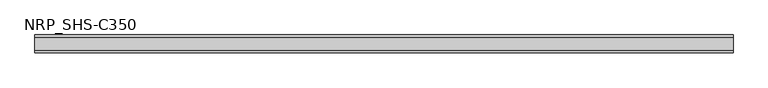
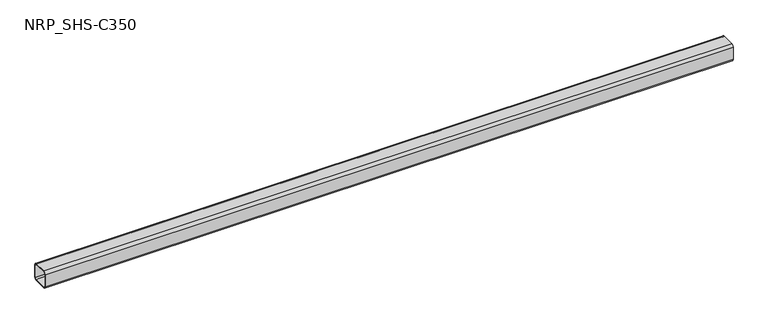
"""IFC4 building model written with IfcOpenShell, lengths in millimetres: member geometry, NRP_SHS-C350."""

import ifcopenshell
import ifcopenshell.guid

model = None  # the IFC model being written
_history = None  # IfcOwnerHistory: only IFC2X3 demands one
_inside = {}  # id of a spatial element -> (the spatial element, [elements in it])
_under = {}  # id of a project, library or spatial element -> (it, [spatial elements below it])
_declared = {}  # id of a project -> (the project, [libraries it declares])
_typed = {}  # id of a type object -> (the type object, [elements of that type])
_made_of = {}  # id of a material, layer set ... -> (it, [elements and type objects made of it])


def new_model(schema):
    """Start an empty IFC model of exactly this schema.

    Asked for "IFC4X3", IfcOpenShell would pick the latest addendum, in which some entities
    have other attributes; the version numbers below select the first issue.
    IFC2X3 requires an IfcOwnerHistory on every rooted entity: one is made here for all.
    """
    global model, _history
    if schema == "IFC4X3":
        model = ifcopenshell.file(schema_version=(4, 3, 0, 0))
    else:
        model = ifcopenshell.file(schema=schema)
    _inside.clear()
    _under.clear()
    _declared.clear()
    _typed.clear()
    _made_of.clear()
    _history = None
    if model.schema == "IFC2X3":
        org = make("IfcOrganization", Name="unknown")
        user = make(
            "IfcPersonAndOrganization",
            ThePerson=make("IfcPerson", FamilyName="unknown"),
            TheOrganization=org,
        )
        app = make(
            "IfcApplication",
            ApplicationDeveloper=org,
            Version="unknown",
            ApplicationFullName="unknown",
            ApplicationIdentifier="unknown",
        )
        _history = make(
            "IfcOwnerHistory",
            OwningUser=user,
            OwningApplication=app,
            ChangeAction="ADDED",
            CreationDate=0,
        )
    return model


def make(cls, **values):
    """One entity of the class cls with the attributes given. An attribute that is None is left unset."""
    return model.create_entity(
        cls, **{name: value for name, value in values.items() if value is not None}
    )


def rooted(cls, **values):
    """An entity with a GlobalId (a new one), such as an element, a storey or a relation."""
    return make(cls, GlobalId=ifcopenshell.guid.new(), OwnerHistory=_history, **values)


def si_unit(unit_type, name, prefix=None):
    """IfcSIUnit, for example si_unit("LENGTHUNIT", "METRE", prefix="MILLI")."""
    return make("IfcSIUnit", UnitType=unit_type, Prefix=prefix, Name=name)


def assignment(units):
    """IfcUnitAssignment: the units of a project."""
    return None if units is None else make("IfcUnitAssignment", Units=units)


def point(xyz):
    """IfcCartesianPoint."""
    return None if xyz is None else make("IfcCartesianPoint", Coordinates=xyz)


def direction(xyz):
    """IfcDirection."""
    return None if xyz is None else make("IfcDirection", DirectionRatios=xyz)


def frame(location, z_axis=None, x_axis=None):
    """IfcAxis2Placement3D, a coordinate frame: its origin and axes. An axis left out is left unset."""
    return make(
        "IfcAxis2Placement3D",
        Location=point(location),
        Axis=direction(z_axis),
        RefDirection=direction(x_axis),
    )


def frame_2d(location, x_axis=None):
    """IfcAxis2Placement2D, a coordinate frame in the plane: its origin and x axis."""
    return make(
        "IfcAxis2Placement2D", Location=point(location), RefDirection=direction(x_axis)
    )


def origin():
    """The frame at (0, 0, 0) with its axes left unset."""
    return frame((0.0, 0.0, 0.0))


def place(relative_to, where):
    """IfcLocalPlacement: puts the frame where relative to a parent placement (None: the world)."""
    return make(
        "IfcLocalPlacement", PlacementRelTo=relative_to, RelativePlacement=where
    )


def context(
    kind, dimensions, precision=None, world=None, true_north=None, identifier=None
):
    """IfcGeometricRepresentationContext, for example the 3D "Model" context."""
    return make(
        "IfcGeometricRepresentationContext",
        ContextIdentifier=identifier,
        ContextType=kind,
        CoordinateSpaceDimension=dimensions,
        Precision=precision,
        WorldCoordinateSystem=world,
        TrueNorth=true_north,
    )


def project(units=None, contexts=None):
    """IfcProject with its units and contexts."""
    return rooted(
        "IfcProject",
        Name="project",
        RepresentationContexts=contexts,
        UnitsInContext=assignment(units),
    )


def spatial(cls, under=None, at=None, **own):
    """A site, building, storey or space (cls), placed at a placement, below another one or the project."""
    s = rooted(cls, ObjectPlacement=at, **own)
    if under is not None:
        _under.setdefault(under.id(), (under, []))[1].append(s)
    return s


def polyline(points):
    """IfcPolyline through the points."""
    return make("IfcPolyline", Points=[point(p) for p in points])


def circle_curve(where, radius):
    """IfcCircle in the frame where."""
    return make("IfcCircle", Position=where, Radius=radius)


def trimmed(basis, trim1, trim2, sense, master):
    """IfcTrimmedCurve: the piece of a basis curve between two trims."""
    return make(
        "IfcTrimmedCurve",
        BasisCurve=basis,
        Trim1=trim1,
        Trim2=trim2,
        SenseAgreement=sense,
        MasterRepresentation=master,
    )


def segment(curve, same_sense, transition):
    """IfcCompositeCurveSegment."""
    return make(
        "IfcCompositeCurveSegment",
        Transition=transition,
        SameSense=same_sense,
        ParentCurve=curve,
    )


def composite_curve(segments, self_intersect=None):
    """IfcCompositeCurve: segments joined end to end."""
    return make("IfcCompositeCurve", Segments=segments, SelfIntersect=self_intersect)


def outline(outer, holes=None, kind="AREA"):
    """IfcArbitraryClosedProfileDef: a profile drawn as a closed curve; with holes, ...WithVoids."""
    if holes is None:
        return make("IfcArbitraryClosedProfileDef", ProfileType=kind, OuterCurve=outer)
    return make(
        "IfcArbitraryProfileDefWithVoids",
        ProfileType=kind,
        OuterCurve=outer,
        InnerCurves=holes,
    )


def extrude(swept, where, along, depth):
    """IfcExtrudedAreaSolid: the profile swept, set in the frame where, extruded along a direction by depth."""
    return make(
        "IfcExtrudedAreaSolid",
        SweptArea=swept,
        Position=where,
        ExtrudedDirection=direction(along),
        Depth=depth,
    )


def shape(context_of_items, identifier, shape_type, items):
    """IfcShapeRepresentation: the items that make up one representation, for example the "Body"."""
    return make(
        "IfcShapeRepresentation",
        ContextOfItems=context_of_items,
        RepresentationIdentifier=identifier,
        RepresentationType=shape_type,
        Items=items,
    )


def source(mapping_origin, context_of_items, identifier, shape_type, items):
    """IfcRepresentationMap: a shape defined once, which mapped items show again and again."""
    return make(
        "IfcRepresentationMap",
        MappingOrigin=mapping_origin,
        MappedRepresentation=shape(context_of_items, identifier, shape_type, items),
    )


def transform(
    local_origin,
    x_axis=None,
    y_axis=None,
    z_axis=None,
    scale=None,
    scale2=None,
    scale3=None,
    uniform=True,
):
    """IfcCartesianTransformationOperator3D, or its non-uniform kind. x_axis, y_axis, z_axis: its Axis1, 2, 3."""
    if uniform:
        return make(
            "IfcCartesianTransformationOperator3D",
            Axis1=direction(x_axis),
            Axis2=direction(y_axis),
            LocalOrigin=point(local_origin),
            Scale=scale,
            Axis3=direction(z_axis),
        )
    return make(
        "IfcCartesianTransformationOperator3DnonUniform",
        Axis1=direction(x_axis),
        Axis2=direction(y_axis),
        LocalOrigin=point(local_origin),
        Scale=scale,
        Axis3=direction(z_axis),
        Scale2=scale2,
        Scale3=scale3,
    )


def mapped(mapping_source, mapping_target):
    """IfcMappedItem: shows the shape of a source again, moved by a transform."""
    return make(
        "IfcMappedItem", MappingSource=mapping_source, MappingTarget=mapping_target
    )


def made_of(thing, what):
    """Note that an element or type object is made of a material, layer set ...; save() writes the relation."""
    if what is not None:
        _made_of.setdefault(what.id(), (what, []))[1].append(thing)
    return thing


def element(
    cls,
    number,
    at=None,
    inside=None,
    cuts=None,
    type_object=None,
    material=None,
    context=None,
    identifier="Body",
    shape_type=None,
    held_by="IfcProductDefinitionShape",
    body=None,
    shapes=None,
    **own,
):
    """One element of the class cls, such as IfcWall. Its Tag is "e" and its number.

    at: its placement. inside: the storey or other place that contains it. cuts: it is an
    opening in that element (IfcRelVoidsElement). A single representation is given by context,
    identifier, shape_type and body (its items); several are given by shapes. held_by: the class
    of the entity that holds the representations. save() writes the other relations.
    """
    e = rooted(cls, Tag="e%d" % number, ObjectPlacement=at, **own)
    if body is not None:
        shapes = [shape(context, identifier, shape_type, body)]
    if shapes is not None:
        e.Representation = make(held_by, Representations=shapes)
    if inside is not None:
        _inside.setdefault(inside.id(), (inside, []))[1].append(e)
    if cuts is not None:
        rooted(
            "IfcRelVoidsElement", RelatingBuildingElement=cuts, RelatedOpeningElement=e
        )
    if type_object is not None:
        _typed.setdefault(type_object.id(), (type_object, []))[1].append(e)
    return made_of(e, material)


def aggregate(whole, parts):
    """IfcRelAggregates: a whole, such as a stair, and the parts it consists of."""
    return rooted("IfcRelAggregates", RelatingObject=whole, RelatedObjects=parts)


def save(model, path):
    """Write the relations noted so far, then the file.

    IfcRelAggregates (storeys below a building ...), IfcRelContainedInSpatialStructure (elements
    in a storey), IfcRelDefinesByType, IfcRelAssociatesMaterial and IfcRelDeclares: one each for
    every whole, place, type object, material and project.
    """
    for whole, parts in _under.values():
        aggregate(whole, parts)
    for where, things in _inside.values():
        rooted(
            "IfcRelContainedInSpatialStructure",
            RelatedElements=things,
            RelatingStructure=where,
        )
    for kind, things in _typed.values():
        rooted("IfcRelDefinesByType", RelatedObjects=things, RelatingType=kind)
    for what, things in _made_of.values():
        rooted("IfcRelAssociatesMaterial", RelatedObjects=things, RelatingMaterial=what)
    for by, libraries in _declared.values():
        rooted("IfcRelDeclares", RelatingContext=by, RelatedDefinitions=libraries)
    model.write(path)


def nrp_shs_c350_d8dfd829(model_context):
    return source(origin(), model_context, "Body", "SweptSolid", [
        extrude(outline(composite_curve([segment(polyline([(44.5, 32.0), (44.5, -32.0)]), True, "CONTINUOUS"), segment(trimmed(circle_curve(frame_2d((32.0, -32.0)), 12.5), [point((44.5, -32.0))], [point((32.0, -44.5))], False, "CARTESIAN"), True, "CONTINUOUS"), segment(polyline([(32.0, -44.5), (-32.0, -44.5)]), True, "CONTINUOUS"), segment(trimmed(circle_curve(frame_2d((-32.0, -32.0)), 12.5), [point((-32.0, -44.5))], [point((-44.5, -32.0))], False, "CARTESIAN"), True, "CONTINUOUS"), segment(polyline([(-44.5, -32.0), (-44.5, 32.0)]), True, "CONTINUOUS"), segment(trimmed(circle_curve(frame_2d((-32.0, 32.0)), 12.5), [point((-44.5, 32.0))], [point((-32.0, 44.5))], False, "CARTESIAN"), True, "CONTINUOUS"), segment(polyline([(-32.0, 44.5), (32.0, 44.5)]), True, "CONTINUOUS"), segment(trimmed(circle_curve(frame_2d((32.0, 32.0)), 12.5), [point((32.0, 44.5))], [point((44.5, 32.0))], False, "CARTESIAN"), True, "CONTINUOUS")], self_intersect=False), holes=[composite_curve([segment(trimmed(circle_curve(frame_2d((-32.0, 32.0)), 7.5), [point((-32.0, 39.5))], [point((-39.5, 32.0))], True, "CARTESIAN"), True, "CONTINUOUS"), segment(polyline([(-39.5, 32.0), (-39.5, -32.0)]), True, "CONTINUOUS"), segment(trimmed(circle_curve(frame_2d((-32.0, -32.0)), 7.5), [point((-39.5, -32.0))], [point((-32.0, -39.5))], True, "CARTESIAN"), True, "CONTINUOUS"), segment(polyline([(-32.0, -39.5), (32.0, -39.5)]), True, "CONTINUOUS"), segment(trimmed(circle_curve(frame_2d((32.0, -32.0)), 7.5), [point((32.0, -39.5))], [point((39.5, -32.0))], True, "CARTESIAN"), True, "CONTINUOUS"), segment(polyline([(39.5, -32.0), (39.5, 32.0)]), True, "CONTINUOUS"), segment(trimmed(circle_curve(frame_2d((32.0, 32.0)), 7.5), [point((39.5, 32.0))], [point((32.0, 39.5))], True, "CARTESIAN"), True, "CONTINUOUS"), segment(polyline([(32.0, 39.5), (-32.0, 39.5)]), True, "CONTINUOUS")], self_intersect=False)]), frame((-1740.0, 0.0, 0.0), z_axis=(1.0, 0.0, 0.0), x_axis=(0.0, 1.0, 0.0)), (0.0, 0.0, 1.0), 3474.0),
    ])


if __name__ == "__main__":
    model = new_model("IFC4")
    model_context = context("Model", 3, world=origin())
    ifc_project = project(units=[si_unit("LENGTHUNIT", "METRE", prefix="MILLI")], contexts=[model_context])
    site = spatial("IfcSite", under=ifc_project)
    building = spatial("IfcBuilding", under=site)
    placement = place(None, origin())
    nrp_shs_c350_shape = nrp_shs_c350_d8dfd829(model_context)
    element("IfcMember", 1, ObjectType="NRP_SHS-C350", at=placement, inside=building, context=model_context, shape_type="MappedRepresentation", body=[
        mapped(nrp_shs_c350_shape, transform((0.0, 0.0, 0.0), x_axis=(1.0, 0.0, 0.0), y_axis=(0.0, 1.0, 0.0), z_axis=(0.0, 0.0, 1.0))),
    ])
    save(model, "model.ifc")
